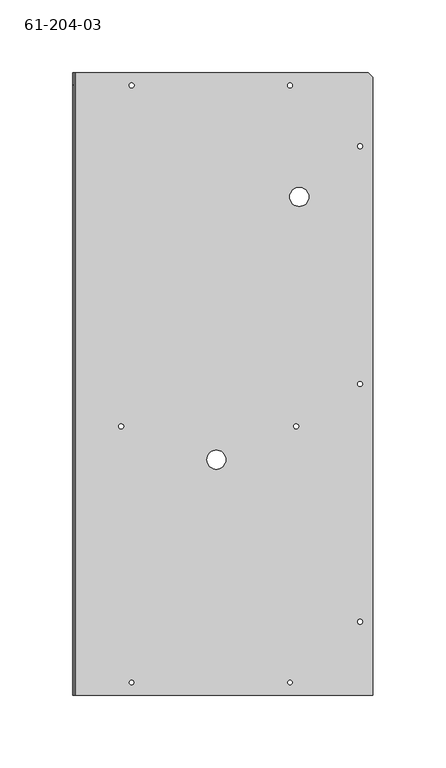
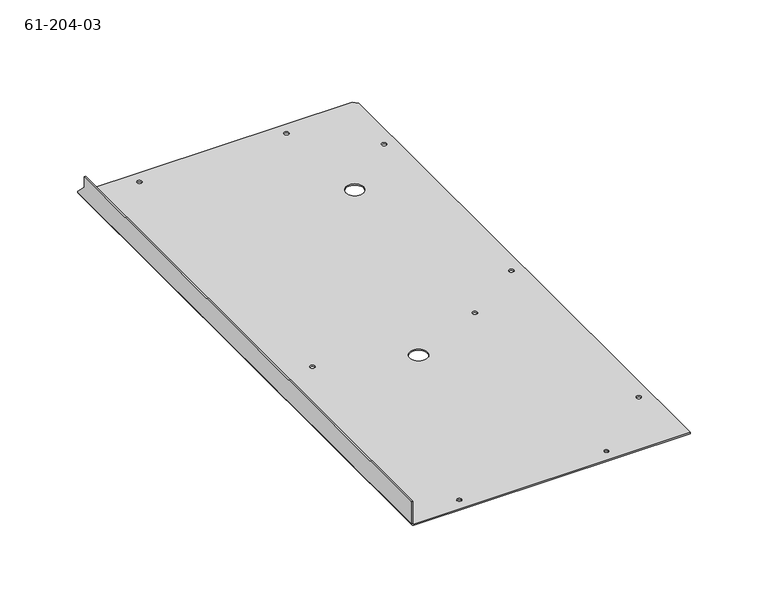
"""IFC4 building model written with IfcOpenShell, lengths in millimetres: proxy geometry, 61-204-03."""

from ifc_helpers import new_model, si_unit, frame, origin, place, context, project, spatial, polyline, circle_curve, source, transform, mapped, element, save
from ifc_brep_helpers import plane_surface, cylinder_surface, revolved_surface, advanced_brep


def proxy_61_204_03_158bc195(model_context):
    return source(origin(), model_context, "Body", "AdvancedBrep", [
        advanced_brep(
        [(195.7329828, 215.0313127, 0.85344), (195.7329828, 215.0313127, 0.0), (199.1619828, 215.0313127, 0.0), (199.1619828, 215.0313127, 0.85344), (195.7329828, 378.8486127, 0.85344), (195.7329828, 378.8486127, 0.0), (199.1619828, 378.8486127, 0.0), (199.1619828, 378.8486127, 0.85344), (147.4729828, 420.7586127, 0.85344), (147.4729828, 420.7586127, 0.0), (150.9019828, 420.7586127, 0.0), (150.9019828, 420.7586127, 0.85344), (38.2936228, 420.7586127, 0.85344), (38.2936228, 420.7586127, 0.0), (41.7226228, 420.7586127, 0.0), (41.7226228, 420.7586127, 0.85344), (195.7329828, 51.2140127, 0.85344), (195.7329828, 51.2140127, 0.0), (199.1619828, 51.2140127, 0.0), (199.1619828, 51.2140127, 0.85344), (150.7114828, 9.3040127, 0.85344), (150.7114828, 9.3040127, 0.0), (147.6634828, 9.3040127, 0.0), (147.6634828, 9.3040127, 0.85344), (41.5321228, 9.3040127, 0.85344), (41.5321228, 9.3040127, 0.0), (38.4841228, 9.3040127, 0.0), (38.4841228, 9.3040127, 0.85344), (31.0876428, 185.7781327, 0.85344), (31.0876428, 185.7781327, 0.0), (34.5166428, 185.7781327, 0.0), (34.5166428, 185.7781327, 0.85344), (151.7376428, 185.7781327, 0.85344), (151.7376428, 185.7781327, 0.0), (155.1666428, 185.7781327, 0.0), (155.1666428, 185.7781327, 0.85344), (148.9969828, 343.9236127, 0.85344), (148.9969828, 343.9236127, 0.0), (162.0779828, 343.9236127, 0.0), (162.0779828, 343.9236127, 0.85344), (91.8469828, 162.9486127, 0.85344), (91.8469828, 162.9486127, 0.0), (104.9279828, 162.9486127, 0.0), (104.9279828, 162.9486127, 0.85344), (203.1624828, 429.6486127, 0.85344), (206.3374828, 426.4736127, 0.85344), (206.3374828, 426.4736127, 0.0), (203.1624828, 429.6486127, 0.0), (1.0445228, 429.6486127, 0.0), (1.0445228, 429.6486127, 0.85344), (206.3374828, 0.4140127, 0.0), (1.0445228, 0.4140127, 0.0), (-0.6623572, 429.6486127, 2.3103528), (-0.6623572, 420.9821327, 10.9819132), (0.1910828, 420.9821327, 10.9819132), (0.1910828, 429.6486127, 2.3103528), (-0.6623572, 420.9821327, 19.05), (0.1910828, 420.9821327, 19.05), (-0.6623572, 429.6486127, 1.70688), (-0.6623572, 0.4140127, 1.70688), (-0.6623572, 0.4140127, 19.05), (0.1910828, 429.6486127, 1.70688), (0.1910828, 0.4140127, 1.70688), (0.1910828, 0.4140127, 19.05), (1.0445228, 0.4140127, 0.85344), (206.3374828, 0.4140127, 0.85344)],
        [
            (0, 1),
            (1, 2, circle_curve(frame((197.4474828, 215.0313127, 0.0), z_axis=(0.0, 0.0, -1.0), x_axis=(-1.0, 0.0, 0.0)), 1.7145)),
            (2, 3),
            (3, 0, circle_curve(frame((197.4474828, 215.0313127, 0.85344), z_axis=(0.0, 0.0, 1.0), x_axis=(-1.0, 0.0, 0.0)), 1.7145)),
            (4, 5),
            (5, 6, circle_curve(frame((197.4474828, 378.8486127, 0.0), z_axis=(0.0, 0.0, -1.0), x_axis=(-1.0, 0.0, 0.0)), 1.7145)),
            (6, 7),
            (7, 4, circle_curve(frame((197.4474828, 378.8486127, 0.85344), z_axis=(0.0, 0.0, 1.0), x_axis=(-1.0, 0.0, 0.0)), 1.7145)),
            (8, 9),
            (9, 10, circle_curve(frame((149.1874828, 420.7586127, 0.0), z_axis=(0.0, 0.0, -1.0), x_axis=(-1.0, 0.0, 0.0)), 1.7145)),
            (10, 11),
            (11, 8, circle_curve(frame((149.1874828, 420.7586127, 0.85344), z_axis=(0.0, 0.0, 1.0), x_axis=(-1.0, 0.0, 0.0)), 1.7145)),
            (12, 13),
            (13, 14, circle_curve(frame((40.0081228, 420.7586127, 0.0), z_axis=(0.0, 0.0, -1.0), x_axis=(-1.0, 0.0, 0.0)), 1.7145)),
            (14, 15),
            (15, 12, circle_curve(frame((40.0081228, 420.7586127, 0.85344), z_axis=(0.0, 0.0, 1.0), x_axis=(-1.0, 0.0, 0.0)), 1.7145)),
            (16, 17),
            (17, 18, circle_curve(frame((197.4474828, 51.2140127, 0.0), z_axis=(0.0, 0.0, -1.0), x_axis=(-1.0, 0.0, 0.0)), 1.7145)),
            (18, 19),
            (19, 16, circle_curve(frame((197.4474828, 51.2140127, 0.85344), z_axis=(0.0, 0.0, 1.0), x_axis=(-1.0, 0.0, 0.0)), 1.7145)),
            (20, 21),
            (21, 22, circle_curve(frame((149.1874828, 9.3040127, 0.0), z_axis=(0.0, 0.0, -1.0), x_axis=(1.0, 0.0, 0.0)), 1.524)),
            (22, 23),
            (23, 20, circle_curve(frame((149.1874828, 9.3040127, 0.85344), z_axis=(0.0, 0.0, 1.0), x_axis=(1.0, 0.0, 0.0)), 1.524)),
            (24, 25),
            (25, 26, circle_curve(frame((40.0081228, 9.3040127, 0.0), z_axis=(0.0, 0.0, -1.0), x_axis=(1.0, 0.0, 0.0)), 1.524)),
            (26, 27),
            (27, 24, circle_curve(frame((40.0081228, 9.3040127, 0.85344), z_axis=(0.0, 0.0, 1.0), x_axis=(1.0, 0.0, 0.0)), 1.524)),
            (28, 29),
            (29, 30, circle_curve(frame((32.8021428, 185.7781327, 0.0), z_axis=(0.0, 0.0, -1.0), x_axis=(-1.0, 0.0, 0.0)), 1.7145)),
            (30, 31),
            (31, 28, circle_curve(frame((32.8021428, 185.7781327, 0.85344), z_axis=(0.0, 0.0, 1.0), x_axis=(-1.0, 0.0, 0.0)), 1.7145)),
            (32, 33),
            (33, 34, circle_curve(frame((153.4521428, 185.7781327, 0.0), z_axis=(0.0, 0.0, -1.0), x_axis=(-1.0, 0.0, 0.0)), 1.7145)),
            (34, 35),
            (35, 32, circle_curve(frame((153.4521428, 185.7781327, 0.85344), z_axis=(0.0, 0.0, 1.0), x_axis=(-1.0, 0.0, 0.0)), 1.7145)),
            (36, 37),
            (37, 38, circle_curve(frame((155.5374828, 343.9236127, 0.0), z_axis=(0.0, 0.0, -1.0), x_axis=(-1.0, 0.0, 0.0)), 6.5405)),
            (38, 39),
            (39, 36, circle_curve(frame((155.5374828, 343.9236127, 0.85344), z_axis=(0.0, 0.0, 1.0), x_axis=(-1.0, 0.0, 0.0)), 6.5405)),
            (40, 41),
            (41, 42, circle_curve(frame((98.3874828, 162.9486127, 0.0), z_axis=(0.0, 0.0, -1.0), x_axis=(-1.0, 0.0, 0.0)), 6.5405)),
            (42, 43),
            (43, 40, circle_curve(frame((98.3874828, 162.9486127, 0.85344), z_axis=(0.0, 0.0, 1.0), x_axis=(-1.0, 0.0, 0.0)), 6.5405)),
            (40, 43, circle_curve(frame((98.3874828, 162.9486127, 0.85344), z_axis=(0.0, 0.0, 1.0), x_axis=(-1.0, 0.0, 0.0)), 6.5405)),
            (42, 41, circle_curve(frame((98.3874828, 162.9486127, 0.0), z_axis=(0.0, 0.0, -1.0), x_axis=(-1.0, 0.0, 0.0)), 6.5405)),
            (36, 39, circle_curve(frame((155.5374828, 343.9236127, 0.85344), z_axis=(0.0, 0.0, 1.0), x_axis=(-1.0, 0.0, 0.0)), 6.5405)),
            (38, 37, circle_curve(frame((155.5374828, 343.9236127, 0.0), z_axis=(0.0, 0.0, -1.0), x_axis=(-1.0, 0.0, 0.0)), 6.5405)),
            (44, 45),
            (45, 46),
            (46, 47),
            (47, 44),
            (47, 48),
            (48, 49),
            (49, 44),
            (46, 50),
            (50, 51),
            (51, 48),
            (21, 22, circle_curve(frame((149.1874828, 9.3040127, 0.0), z_axis=(0.0, 0.0, 1.0), x_axis=(1.0, 0.0, 0.0)), 1.524)),
            (25, 26, circle_curve(frame((40.0081228, 9.3040127, 0.0), z_axis=(0.0, 0.0, 1.0), x_axis=(1.0, 0.0, 0.0)), 1.524)),
            (1, 2, circle_curve(frame((197.4474828, 215.0313127, 0.0), z_axis=(0.0, 0.0, 1.0), x_axis=(-1.0, 0.0, 0.0)), 1.7145)),
            (5, 6, circle_curve(frame((197.4474828, 378.8486127, 0.0), z_axis=(0.0, 0.0, 1.0), x_axis=(-1.0, 0.0, 0.0)), 1.7145)),
            (9, 10, circle_curve(frame((149.1874828, 420.7586127, 0.0), z_axis=(0.0, 0.0, 1.0), x_axis=(-1.0, 0.0, 0.0)), 1.7145)),
            (13, 14, circle_curve(frame((40.0081228, 420.7586127, 0.0), z_axis=(0.0, 0.0, 1.0), x_axis=(-1.0, 0.0, 0.0)), 1.7145)),
            (17, 18, circle_curve(frame((197.4474828, 51.2140127, 0.0), z_axis=(0.0, 0.0, 1.0), x_axis=(-1.0, 0.0, 0.0)), 1.7145)),
            (29, 30, circle_curve(frame((32.8021428, 185.7781327, 0.0), z_axis=(0.0, 0.0, 1.0), x_axis=(-1.0, 0.0, 0.0)), 1.7145)),
            (33, 34, circle_curve(frame((153.4521428, 185.7781327, 0.0), z_axis=(0.0, 0.0, 1.0), x_axis=(-1.0, 0.0, 0.0)), 1.7145)),
            (32, 35, circle_curve(frame((153.4521428, 185.7781327, 0.85344), z_axis=(0.0, 0.0, 1.0), x_axis=(-1.0, 0.0, 0.0)), 1.7145)),
            (28, 31, circle_curve(frame((32.8021428, 185.7781327, 0.85344), z_axis=(0.0, 0.0, 1.0), x_axis=(-1.0, 0.0, 0.0)), 1.7145)),
            (24, 27, circle_curve(frame((40.0081228, 9.3040127, 0.85344), z_axis=(0.0, 0.0, 1.0), x_axis=(1.0, 0.0, 0.0)), 1.524)),
            (20, 23, circle_curve(frame((149.1874828, 9.3040127, 0.85344), z_axis=(0.0, 0.0, 1.0), x_axis=(1.0, 0.0, 0.0)), 1.524)),
            (52, 53),
            (53, 54),
            (54, 55),
            (55, 52),
            (53, 56),
            (56, 57),
            (57, 54),
            (52, 58),
            (58, 59),
            (59, 60),
            (60, 56),
            (55, 61),
            (61, 58),
            (16, 19, circle_curve(frame((197.4474828, 51.2140127, 0.85344), z_axis=(0.0, 0.0, 1.0), x_axis=(-1.0, 0.0, 0.0)), 1.7145)),
            (12, 15, circle_curve(frame((40.0081228, 420.7586127, 0.85344), z_axis=(0.0, 0.0, 1.0), x_axis=(-1.0, 0.0, 0.0)), 1.7145)),
            (8, 11, circle_curve(frame((149.1874828, 420.7586127, 0.85344), z_axis=(0.0, 0.0, 1.0), x_axis=(-1.0, 0.0, 0.0)), 1.7145)),
            (4, 7, circle_curve(frame((197.4474828, 378.8486127, 0.85344), z_axis=(0.0, 0.0, 1.0), x_axis=(-1.0, 0.0, 0.0)), 1.7145)),
            (0, 3, circle_curve(frame((197.4474828, 215.0313127, 0.85344), z_axis=(0.0, 0.0, 1.0), x_axis=(-1.0, 0.0, 0.0)), 1.7145)),
            (58, 48, circle_curve(frame((1.0445228, 429.6486127, 1.70688), z_axis=(0.0, -1.0, 0.0), x_axis=(0.0, 0.0, -1.0)), 1.70688)),
            (51, 59, circle_curve(frame((1.0445228, 0.4140127, 1.70688), z_axis=(0.0, 1.0, 0.0), x_axis=(0.0, 0.0, -1.0)), 1.70688)),
            (59, 62),
            (62, 63),
            (63, 60),
            (57, 63),
            (62, 61),
            (61, 49, circle_curve(frame((1.0445228, 429.6486127, 1.70688), z_axis=(0.0, -1.0, 0.0), x_axis=(0.0, 0.0, -1.0)), 0.85344)),
            (51, 64),
            (64, 62, circle_curve(frame((1.0445228, 0.4140127, 1.70688), z_axis=(0.0, 1.0, 0.0), x_axis=(0.0, 0.0, -1.0)), 0.85344)),
            (64, 49),
            (50, 65),
            (65, 64),
            (45, 65),
        ],
        [
            revolved_surface(polyline([(195.7329828, 215.0313127, 0.0), (195.7329828, 215.0313127, 0.85344)]), (197.4474828, 215.0313127, 0.42672), (0.0, 0.0, -1.0)),
            revolved_surface(polyline([(195.7329828, 378.8486127, 0.0), (195.7329828, 378.8486127, 0.85344)]), (197.4474828, 378.8486127, 0.42672), (0.0, 0.0, -1.0)),
            revolved_surface(polyline([(147.4729828, 420.7586127, 0.0), (147.4729828, 420.7586127, 0.85344)]), (149.1874828, 420.7586127, 0.42672), (0.0, 0.0, -1.0)),
            revolved_surface(polyline([(38.2936228, 420.7586127, 0.0), (38.2936228, 420.7586127, 0.85344)]), (40.0081228, 420.7586127, 0.42672), (0.0, 0.0, -1.0)),
            revolved_surface(polyline([(195.7329828, 51.2140127, 0.0), (195.7329828, 51.2140127, 0.85344)]), (197.4474828, 51.2140127, 0.42672), (0.0, 0.0, -1.0)),
            revolved_surface(polyline([(150.7114828, 9.3040127, 0.85344), (150.7114828, 9.3040127, 0.0)]), (149.1874828, 9.3040127, 0.0), (0.0, 0.0, 1.0)),
            revolved_surface(polyline([(41.5321228, 9.3040127, 0.85344), (41.5321228, 9.3040127, 0.0)]), (40.0081228, 9.3040127, 0.0), (0.0, 0.0, 1.0)),
            revolved_surface(polyline([(31.087642799999998, 185.7781327, 0.0), (31.087642799999998, 185.7781327, 0.85344)]), (32.8021428, 185.7781327, 0.42672), (0.0, 0.0, -1.0)),
            revolved_surface(polyline([(151.7376428, 185.7781327, 0.0), (151.7376428, 185.7781327, 0.85344)]), (153.4521428, 185.7781327, 0.42672), (0.0, 0.0, -1.0)),
            revolved_surface(polyline([(148.99698279999998, 343.9236127, 0.0), (148.99698279999998, 343.9236127, 0.85344)]), (155.5374828, 343.9236127, 0.42672), (0.0, 0.0, -1.0)),
            revolved_surface(polyline([(91.8469828, 162.9486127, 0.0), (91.8469828, 162.9486127, 0.85344)]), (98.3874828, 162.9486127, 0.42672), (0.0, 0.0, -1.0)),
            plane_surface(frame((204.7499828, 428.0611127, 0.0), z_axis=(0.7071067811865515, 0.7071067811865436, 0.0), x_axis=(0.0, 0.0, -1.0))),
            plane_surface(frame((0.1910828, 429.6486127, 0.0), z_axis=(0.0, 1.0, 0.0), x_axis=(0.0, 0.0, 1.0))),
            plane_surface(frame((103.2642828, 215.0313127, 0.0), z_axis=(0.0, 0.0, -1.0), x_axis=(1.0, 0.0, 0.0))),
            plane_surface(frame((-0.6623572, 420.9821327, 10.9819132), z_axis=(0.0, 0.7073139469542122, 0.7068995547063628), x_axis=(0.0, 0.7068995547063628, -0.7073139469542122))),
            plane_surface(frame((-0.6623572, 420.9821327, 19.05), z_axis=(0.0, 1.0, 0.0), x_axis=(0.0, 0.0, -1.0))),
            plane_surface(frame((-0.6623572, 215.0313127, 9.4132221), z_axis=(-1.0, 0.0, 0.0), x_axis=(0.0, 0.0, -1.0))),
            plane_surface(frame((0.1910828, 429.6486127, 1.70688), z_axis=(0.0, 1.0, 0.0), x_axis=(1.0, 0.0, 0.0))),
            cylinder_surface(frame((1.0445228, 215.0313127, 1.70688), z_axis=(0.0, 1.0, 0.0), x_axis=(0.0, 0.0, -1.0)), 1.70688),
            plane_surface(frame((0.1910828, 0.4140127, 1.70688), z_axis=(0.0, -1.0, 0.0), x_axis=(-1.0, 0.0, 0.0))),
            plane_surface(frame((0.1910828, 215.0313127, 9.4132221), z_axis=(1.0, 0.0, 0.0), x_axis=(0.0, 0.0, -1.0))),
            plane_surface(frame((0.1910828, 429.6486127, 1.70688), z_axis=(0.0, 1.0, 0.0), x_axis=(0.0, 0.0, 1.0))),
            plane_surface(frame((-0.6623572, 0.4140127, 1.70688), z_axis=(0.0, -1.0, 0.0), x_axis=(0.0, 0.0, -1.0))),
            plane_surface(frame((0.1910828, 429.6486127, 19.05), z_axis=(0.0, 0.0, 1.0), x_axis=(1.0, 0.0, 0.0))),
            revolved_surface(polyline([(1.0445228, 429.6486127, 0.85344), (1.0445228, 0.4140127000000007, 0.85344)]), (1.0445228, 215.0313127, 1.70688), (0.0, 1.0, 0.0)),
            plane_surface(frame((206.3374828, 0.4140127, 0.0), z_axis=(0.0, -1.0, 0.0), x_axis=(0.0, 0.0, -1.0))),
            plane_surface(frame((206.3374828, 429.6486127, 0.0), z_axis=(1.0, 0.0, 0.0), x_axis=(0.0, 0.0, -1.0))),
            plane_surface(frame((103.2642828, 215.0313127, 0.85344), z_axis=(0.0, 0.0, 1.0), x_axis=(1.0, 0.0, 0.0))),
        ],
        [
            (0, [[1, 2, 3, 4]]),
            (1, [[5, 6, 7, 8]]),
            (2, [[9, 10, 11, 12]]),
            (3, [[13, 14, 15, 16]]),
            (4, [[17, 18, 19, 20]]),
            (5, [[21, 22, 23, 24]]),
            (6, [[25, 26, 27, 28]]),
            (7, [[29, 30, 31, 32]]),
            (8, [[33, 34, 35, 36]]),
            (9, [[37, 38, 39, 40]]),
            (10, [[41, 42, 43, 44]]),
            (10, [[-41, 45, -43, 46]]),
            (9, [[-37, 47, -39, 48]]),
            (11, [[49, 50, 51, 52]]),
            (12, [[-52, 53, 54, 55]]),
            (13, [[-51, 56, 57, 58, -53], [-22, 59], [-26, 60], [-46, -42], [-48, -38], [61, -2], [62, -6], [63, -10], [64, -14], [65, -18], [66, -30], [67, -34]]),
            (8, [[-33, 68, -35, -67]]),
            (7, [[-29, 69, -31, -66]]),
            (6, [[-25, 70, -27, -60]]),
            (5, [[-21, 71, -23, -59]]),
            (14, [[72, 73, 74, 75]]),
            (15, [[76, 77, 78, -73]]),
            (16, [[-76, -72, 79, 80, 81, 82]]),
            (17, [[-75, 83, 84, -79]]),
            (4, [[-17, 85, -19, -65]]),
            (3, [[-13, 86, -15, -64]]),
            (2, [[-9, 87, -11, -63]]),
            (1, [[-5, 88, -7, -62]]),
            (0, [[-1, 89, -3, -61]]),
            (18, [[-80, 90, -58, 91]]),
            (19, [[92, 93, 94, -81]]),
            (20, [[-78, 95, -93, 96, -83, -74]]),
            (21, [[-84, 97, -54, -90]]),
            (22, [[-92, -91, 98, 99]]),
            (23, [[-77, -82, -94, -95]]),
            (24, [[-96, -99, 100, -97]]),
            (25, [[-98, -57, 101, 102]]),
            (26, [[-50, 103, -101, -56]]),
            (27, [[-49, -55, -100, -102, -103], [-4, -89], [-8, -88], [-12, -87], [-16, -86], [-20, -85], [-32, -69], [-36, -68], [-40, -47], [-44, -45], [-70, -28], [-71, -24]]),
        ],
    ),
    ])


if __name__ == "__main__":
    model = new_model("IFC4")
    model_context = context("Model", 3, world=origin())
    ifc_project = project(units=[si_unit("LENGTHUNIT", "METRE", prefix="MILLI")], contexts=[model_context])
    site = spatial("IfcSite", under=ifc_project)
    building = spatial("IfcBuilding", under=site)
    placement = place(None, origin())
    proxy_61_204_03_shape = proxy_61_204_03_158bc195(model_context)
    element("IfcBuildingElementProxy", 1, Name="61-204-03", ObjectType="61-204-03", at=placement, inside=building, context=model_context, shape_type="MappedRepresentation", body=[
        mapped(proxy_61_204_03_shape, transform((0.0, 0.0, 0.0), x_axis=(1.0, 0.0, 0.0), y_axis=(0.0, 1.0, 0.0), z_axis=(0.0, 0.0, 1.0))),
    ])
    save(model, "model.ifc")
